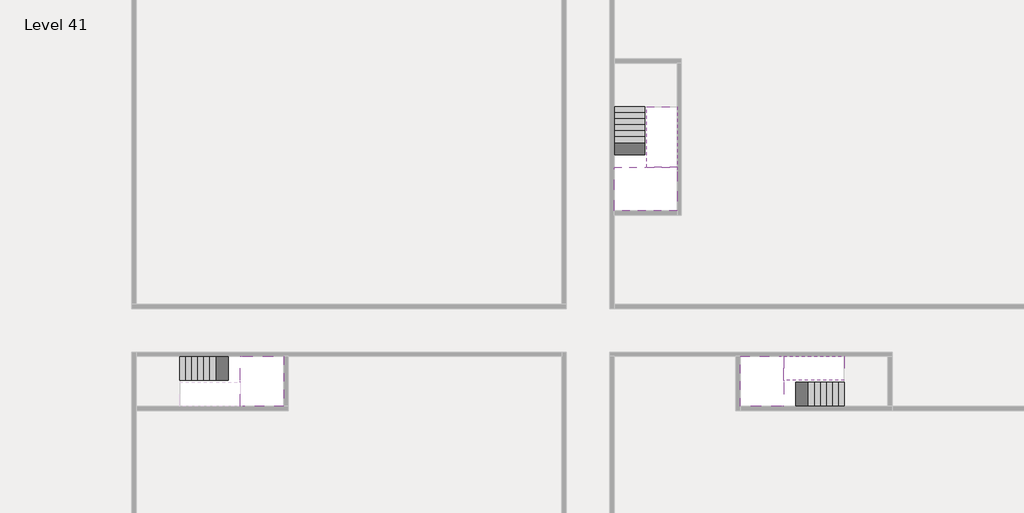
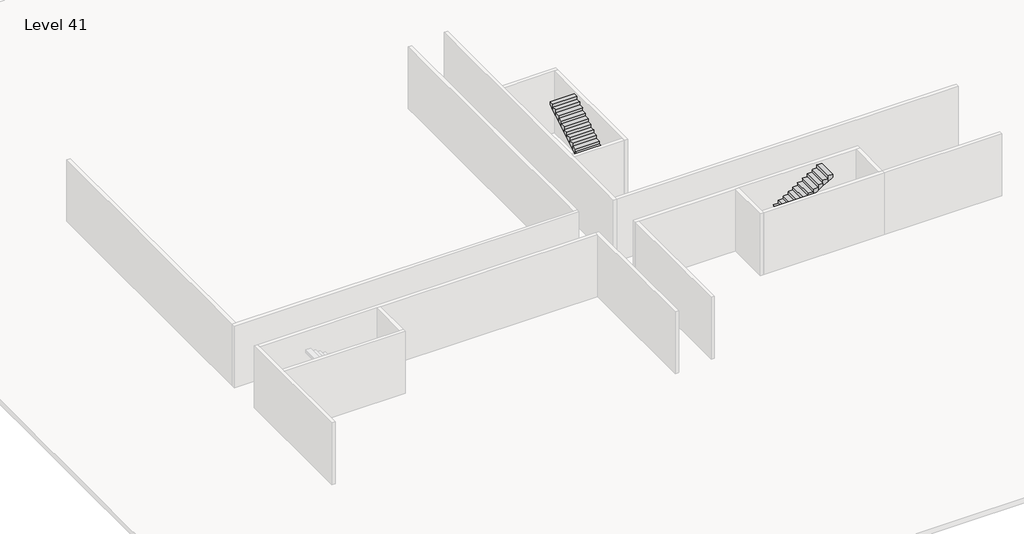
# One storey, part 2 of 2: 5 stair flights, 3 slabs.
"""IFC4 building model written with IfcOpenShell, lengths in millimetres."""

from ifc_helpers import new_model, si_unit, origin, place, context, project, spatial, faceted_brep, element, save

model = new_model("IFC4")

# Units and contexts
model_context = context("Model", 3, world=origin())
ifc_project = project(units=[si_unit("LENGTHUNIT", "METRE", prefix="MILLI")], contexts=[model_context])

# Site, building, storey
site = spatial("IfcSite", under=ifc_project)
building = spatial("IfcBuilding", under=site)
storey = spatial("IfcBuildingStorey", under=building, Name="Level 41", Elevation=152000.0)

# Slabs
placement = place(None, origin())
element("IfcSlab", 1, at=placement, inside=storey, context=model_context, shape_type="Brep", body=[
    faceted_brep([(8190.1058784, -42918.09644, 153900.0), (8190.1058784, -44018.09644, 153900.0), (8190.1058784, -44118.09644, 153900.0), (8190.1058784, -45218.09644, 153900.0), (8390.7194421, -45218.09644, 153900.0), (10190.1058784, -45218.09644, 153900.0), (10190.1058784, -42918.09644, 153900.0), (8269.4923146, -42918.09644, 153900.0), (8190.1058784, -42918.09644, 153727.2727273), (8190.1058784, -42918.09644, 153551.0278478), (8190.1058784, -44018.09644, 153551.0278478), (8190.1058784, -44018.09644, 153600.0), (8190.1058784, -44118.09644, 153600.0), (8190.1058784, -44118.09644, 153723.7551205), (8190.1058784, -45218.09644, 153723.7551205), (8390.7194421, -45218.09644, 153600.0), (10190.1058784, -45218.09644, 153600.0), (10190.1058784, -42918.09644, 153600.0), (8269.4923146, -42918.09644, 153600.0), (8390.7194421, -44118.09644, 153600.0), (8269.4923146, -44018.09644, 153600.0)], [[[0, 1, 2, 3, 4, 5, 6, 7]], [[1, 0, 8, 9, 10, 11]], [[2, 1, 11, 12, 13]], [[3, 2, 13, 14]], [[3, 14, 15, 16, 5, 4]], [[6, 5, 16, 17]], [[9, 8, 0, 7, 6, 17, 18]], [[19, 12, 11, 20, 18, 17, 16, 15]], [[12, 19, 13]], [[18, 20, 10, 9]], [[20, 11, 10]], [[19, 15, 14, 13]]]),
])
element("IfcSlab", 2, at=placement, inside=storey, context=model_context, shape_type="Brep", body=[
    faceted_brep([(33190.1058784, -45218.09644, 153900.0), (33190.1058784, -44118.09644, 153900.0), (33190.1058784, -44018.09644, 153900.0), (33190.1058784, -42918.09644, 153900.0), (32989.4923146, -42918.09644, 153900.0), (31190.1058784, -42918.09644, 153900.0), (31190.1058784, -45218.09644, 153900.0), (33110.7194421, -45218.09644, 153900.0), (33190.1058784, -45218.09644, 153727.2727273), (33190.1058784, -45218.09644, 153551.0278478), (33190.1058784, -44118.09644, 153551.0278478), (33190.1058784, -44118.09644, 153600.0), (33190.1058784, -44018.09644, 153600.0), (33190.1058784, -44018.09644, 153723.7551205), (33190.1058784, -42918.09644, 153723.7551205), (32989.4923146, -42918.09644, 153600.0), (31190.1058784, -42918.09644, 153600.0), (31190.1058784, -45218.09644, 153600.0), (33110.7194421, -45218.09644, 153600.0), (32989.4923146, -44018.09644, 153600.0), (33110.7194421, -44118.09644, 153600.0)], [[[0, 1, 2, 3, 4, 5, 6, 7]], [[1, 0, 8, 9, 10, 11]], [[2, 1, 11, 12, 13]], [[3, 2, 13, 14]], [[3, 14, 15, 16, 5, 4]], [[6, 5, 16, 17]], [[9, 8, 0, 7, 6, 17, 18]], [[19, 12, 11, 20, 18, 17, 16, 15]], [[12, 19, 13]], [[18, 20, 10, 9]], [[20, 11, 10]], [[19, 15, 14, 13]]]),
])
element("IfcSlab", 3, at=placement, inside=storey, context=model_context, shape_type="Brep", body=[
    faceted_brep([(26790.1058784, -34218.09644, 153900.0), (25390.1058784, -34218.09644, 153900.0), (25390.1058784, -34297.4828763, 153900.0), (25390.1058784, -36218.09644, 153900.0), (28290.1058784, -36218.09644, 153900.0), (28290.1058784, -34418.7100038, 153900.0), (28290.1058784, -34218.09644, 153900.0), (26890.1058784, -34218.09644, 153900.0), (26790.1058784, -34218.09644, 153600.0), (26790.1058784, -34218.09644, 153551.0278478), (25390.1058784, -34218.09644, 153551.0278478), (25390.1058784, -34218.09644, 153727.2727273), (25390.1058784, -34297.4828763, 153600.0), (25390.1058784, -36218.09644, 153600.0), (28290.1058784, -36218.09644, 153600.0), (28290.1058784, -34418.7100038, 153600.0), (28290.1058784, -34218.09644, 153723.7551205), (26890.1058784, -34218.09644, 153723.7551205), (26890.1058784, -34218.09644, 153600.0), (26890.1058784, -34418.7100038, 153600.0), (26790.1058784, -34297.4828763, 153600.0)], [[[0, 1, 2, 3, 4, 5, 6, 7]], [[1, 0, 8, 9, 10, 11]], [[1, 11, 10, 12, 13, 3, 2]], [[4, 3, 13, 14]], [[4, 14, 15, 16, 6, 5]], [[7, 6, 16, 17]], [[0, 7, 17, 18, 8]], [[18, 19, 15, 14, 13, 12, 20, 8]], [[19, 18, 17]], [[20, 12, 10, 9]], [[8, 20, 9]], [[15, 19, 17, 16]]]),
])

# Stair flights
element("IfcStairFlight", 4, at=placement, inside=storey, context=model_context, shape_type="Brep", body=[
    faceted_brep([(5670.1058784, -42918.09644, 152172.7272727), (5390.1058784, -42918.09644, 152172.7272727), (5390.1058784, -44018.09644, 152172.7272727), (5670.1058784, -44018.09644, 152172.7272727), (5670.1058784, -42918.09644, 152000.0), (5390.1058784, -42918.09644, 152000.0), (5390.1058784, -44018.09644, 152000.0), (5670.1058784, -44018.09644, 152000.0), (5950.1058784, -42918.09644, 152345.4545455), (5670.1058784, -42918.09644, 152345.4545455), (5670.1058784, -44018.09644, 152345.4545455), (5950.1058784, -44018.09644, 152345.4545455), (5950.1058784, -42918.09644, 152169.209666), (5675.8081041, -42918.09644, 152000.0), (5675.8081041, -44018.09644, 152000.0), (5950.1058784, -44018.09644, 152169.209666), (6230.1058784, -42918.09644, 152518.1818182), (5950.1058784, -42918.09644, 152518.1818182), (5950.1058784, -44018.09644, 152518.1818182), (6230.1058784, -44018.09644, 152518.1818182), (6230.1058784, -42918.09644, 152341.9369387), (6230.1058784, -44018.09644, 152341.9369387), (6510.1058784, -42918.09644, 152690.9090909), (6230.1058784, -42918.09644, 152690.9090909), (6230.1058784, -44018.09644, 152690.9090909), (6510.1058784, -44018.09644, 152690.9090909), (6510.1058784, -42918.09644, 152514.6642114), (6510.1058784, -44018.09644, 152514.6642114), (6790.1058784, -42918.09644, 152863.6363636), (6510.1058784, -42918.09644, 152863.6363636), (6510.1058784, -44018.09644, 152863.6363636), (6790.1058784, -44018.09644, 152863.6363636), (6790.1058784, -42918.09644, 152687.3914841), (6790.1058784, -44018.09644, 152687.3914841), (7070.1058784, -42918.09644, 153036.3636364), (6790.1058784, -42918.09644, 153036.3636364), (6790.1058784, -44018.09644, 153036.3636364), (7070.1058784, -44018.09644, 153036.3636364), (7070.1058784, -42918.09644, 152860.1187569), (7070.1058784, -44018.09644, 152860.1187569), (7350.1058784, -42918.09644, 153209.0909091), (7070.1058784, -42918.09644, 153209.0909091), (7070.1058784, -44018.09644, 153209.0909091), (7350.1058784, -44018.09644, 153209.0909091), (7350.1058784, -42918.09644, 153032.8460296), (7350.1058784, -44018.09644, 153032.8460296), (7630.1058784, -42918.09644, 153381.8181818), (7350.1058784, -42918.09644, 153381.8181818), (7350.1058784, -44018.09644, 153381.8181818), (7630.1058784, -44018.09644, 153381.8181818), (7630.1058784, -42918.09644, 153205.5733023), (7630.1058784, -44018.09644, 153205.5733023), (7910.1058784, -42918.09644, 153554.5454545), (7630.1058784, -42918.09644, 153554.5454545), (7630.1058784, -44018.09644, 153554.5454545), (7910.1058784, -44018.09644, 153554.5454545), (7910.1058784, -42918.09644, 153378.3005751), (7910.1058784, -44018.09644, 153378.3005751), (8190.1058784, -42918.09644, 153727.2727273), (7910.1058784, -42918.09644, 153727.2727273), (7910.1058784, -44018.09644, 153727.2727273), (8190.1058784, -44018.09644, 153727.2727273), (8190.1058784, -42918.09644, 153551.0278478), (8190.1058784, -44018.09644, 153551.0278478), (8190.1058784, -44018.09644, 153600.0)], [[[0, 1, 2, 3]], [[1, 0, 4, 5]], [[2, 1, 5, 6]], [[3, 2, 6, 7]], [[8, 9, 10, 11]], [[4, 0, 9, 8, 12, 13]], [[0, 3, 10, 9]], [[3, 7, 14, 15, 11, 10]], [[16, 17, 18, 19]], [[17, 16, 20, 12, 8]], [[8, 11, 18, 17]], [[19, 18, 11, 15, 21]], [[22, 23, 24, 25]], [[23, 22, 26, 20, 16]], [[16, 19, 24, 23]], [[25, 24, 19, 21, 27]], [[28, 29, 30, 31]], [[29, 28, 32, 26, 22]], [[22, 25, 30, 29]], [[31, 30, 25, 27, 33]], [[34, 35, 36, 37]], [[35, 34, 38, 32, 28]], [[28, 31, 36, 35]], [[37, 36, 31, 33, 39]], [[40, 41, 42, 43]], [[41, 40, 44, 38, 34]], [[34, 37, 42, 41]], [[43, 42, 37, 39, 45]], [[46, 47, 48, 49]], [[47, 46, 50, 44, 40]], [[40, 43, 48, 47]], [[49, 48, 43, 45, 51]], [[52, 53, 54, 55]], [[53, 52, 56, 50, 46]], [[46, 49, 54, 53]], [[55, 54, 49, 51, 57]], [[58, 59, 60, 61]], [[59, 58, 62, 56, 52]], [[52, 55, 60, 59]], [[61, 60, 55, 57, 63, 64]], [[58, 61, 64, 63, 62]], [[5, 4, 13, 14, 7, 6]], [[14, 13, 12, 20, 26, 32, 38, 44, 50, 56, 62, 63, 57, 51, 45, 39, 33, 27, 21, 15]]]),
])
element("IfcStairFlight", 5, at=placement, inside=storey, context=model_context, shape_type="Brep", body=[
    faceted_brep([(35710.1058784, -45218.09644, 152172.7272727), (35990.1058784, -45218.09644, 152172.7272727), (35990.1058784, -44118.09644, 152172.7272727), (35710.1058784, -44118.09644, 152172.7272727), (35710.1058784, -45218.09644, 152000.0), (35990.1058784, -45218.09644, 152000.0), (35990.1058784, -44118.09644, 152000.0), (35710.1058784, -44118.09644, 152000.0), (35430.1058784, -45218.09644, 152345.4545455), (35710.1058784, -45218.09644, 152345.4545455), (35710.1058784, -44118.09644, 152345.4545455), (35430.1058784, -44118.09644, 152345.4545455), (35430.1058784, -45218.09644, 152169.209666), (35704.4036527, -45218.09644, 152000.0), (35704.4036527, -44118.09644, 152000.0), (35430.1058784, -44118.09644, 152169.209666), (35150.1058784, -45218.09644, 152518.1818182), (35430.1058784, -45218.09644, 152518.1818182), (35430.1058784, -44118.09644, 152518.1818182), (35150.1058784, -44118.09644, 152518.1818182), (35150.1058784, -45218.09644, 152341.9369387), (35150.1058784, -44118.09644, 152341.9369387), (34870.1058784, -45218.09644, 152690.9090909), (35150.1058784, -45218.09644, 152690.9090909), (35150.1058784, -44118.09644, 152690.9090909), (34870.1058784, -44118.09644, 152690.9090909), (34870.1058784, -45218.09644, 152514.6642114), (34870.1058784, -44118.09644, 152514.6642114), (34590.1058784, -45218.09644, 152863.6363636), (34870.1058784, -45218.09644, 152863.6363636), (34870.1058784, -44118.09644, 152863.6363636), (34590.1058784, -44118.09644, 152863.6363636), (34590.1058784, -45218.09644, 152687.3914841), (34590.1058784, -44118.09644, 152687.3914841), (34310.1058784, -45218.09644, 153036.3636364), (34590.1058784, -45218.09644, 153036.3636364), (34590.1058784, -44118.09644, 153036.3636364), (34310.1058784, -44118.09644, 153036.3636364), (34310.1058784, -45218.09644, 152860.1187569), (34310.1058784, -44118.09644, 152860.1187569), (34030.1058784, -45218.09644, 153209.0909091), (34310.1058784, -45218.09644, 153209.0909091), (34310.1058784, -44118.09644, 153209.0909091), (34030.1058784, -44118.09644, 153209.0909091), (34030.1058784, -45218.09644, 153032.8460296), (34030.1058784, -44118.09644, 153032.8460296), (33750.1058784, -45218.09644, 153381.8181818), (34030.1058784, -45218.09644, 153381.8181818), (34030.1058784, -44118.09644, 153381.8181818), (33750.1058784, -44118.09644, 153381.8181818), (33750.1058784, -45218.09644, 153205.5733023), (33750.1058784, -44118.09644, 153205.5733023), (33470.1058784, -45218.09644, 153554.5454545), (33750.1058784, -45218.09644, 153554.5454545), (33750.1058784, -44118.09644, 153554.5454545), (33470.1058784, -44118.09644, 153554.5454545), (33470.1058784, -45218.09644, 153378.3005751), (33470.1058784, -44118.09644, 153378.3005751), (33190.1058784, -45218.09644, 153727.2727273), (33470.1058784, -45218.09644, 153727.2727273), (33470.1058784, -44118.09644, 153727.2727273), (33190.1058784, -44118.09644, 153727.2727273), (33190.1058784, -45218.09644, 153551.0278478), (33190.1058784, -44118.09644, 153551.0278478), (33190.1058784, -44118.09644, 153600.0)], [[[0, 1, 2, 3]], [[1, 0, 4, 5]], [[2, 1, 5, 6]], [[3, 2, 6, 7]], [[8, 9, 10, 11]], [[4, 0, 9, 8, 12, 13]], [[0, 3, 10, 9]], [[3, 7, 14, 15, 11, 10]], [[16, 17, 18, 19]], [[17, 16, 20, 12, 8]], [[8, 11, 18, 17]], [[19, 18, 11, 15, 21]], [[22, 23, 24, 25]], [[23, 22, 26, 20, 16]], [[16, 19, 24, 23]], [[25, 24, 19, 21, 27]], [[28, 29, 30, 31]], [[29, 28, 32, 26, 22]], [[22, 25, 30, 29]], [[31, 30, 25, 27, 33]], [[34, 35, 36, 37]], [[35, 34, 38, 32, 28]], [[28, 31, 36, 35]], [[37, 36, 31, 33, 39]], [[40, 41, 42, 43]], [[41, 40, 44, 38, 34]], [[34, 37, 42, 41]], [[43, 42, 37, 39, 45]], [[46, 47, 48, 49]], [[47, 46, 50, 44, 40]], [[40, 43, 48, 47]], [[49, 48, 43, 45, 51]], [[52, 53, 54, 55]], [[53, 52, 56, 50, 46]], [[46, 49, 54, 53]], [[55, 54, 49, 51, 57]], [[58, 59, 60, 61]], [[59, 58, 62, 56, 52]], [[52, 55, 60, 59]], [[61, 60, 55, 57, 63, 64]], [[58, 61, 64, 63, 62]], [[5, 4, 13, 14, 7, 6]], [[14, 13, 12, 20, 26, 32, 38, 44, 50, 56, 62, 63, 57, 51, 45, 39, 33, 27, 21, 15]]]),
])
element("IfcStairFlight", 6, at=placement, inside=storey, context=model_context, shape_type="Brep", body=[
    faceted_brep([(33470.1058784, -42918.09644, 154072.7272727), (33190.1058784, -42918.09644, 154072.7272727), (33190.1058784, -44018.09644, 154072.7272727), (33470.1058784, -44018.09644, 154072.7272727), (33470.1058784, -42918.09644, 153896.4823932), (33190.1058784, -42918.09644, 153723.7551205), (33190.1058784, -42918.09644, 153900.0), (33190.1058784, -44018.09644, 153723.7551205), (33470.1058784, -44018.09644, 153896.4823932), (33750.1058784, -42918.09644, 154245.4545455), (33470.1058784, -42918.09644, 154245.4545455), (33470.1058784, -44018.09644, 154245.4545455), (33750.1058784, -44018.09644, 154245.4545455), (33750.1058784, -42918.09644, 154069.209666), (33750.1058784, -44018.09644, 154069.209666), (34030.1058784, -42918.09644, 154418.1818182), (33750.1058784, -42918.09644, 154418.1818182), (33750.1058784, -44018.09644, 154418.1818182), (34030.1058784, -44018.09644, 154418.1818182), (34030.1058784, -42918.09644, 154241.9369387), (34030.1058784, -44018.09644, 154241.9369387), (34310.1058784, -42918.09644, 154590.9090909), (34030.1058784, -42918.09644, 154590.9090909), (34030.1058784, -44018.09644, 154590.9090909), (34310.1058784, -44018.09644, 154590.9090909), (34310.1058784, -42918.09644, 154414.6642114), (34310.1058784, -44018.09644, 154414.6642114), (34590.1058784, -42918.09644, 154763.6363636), (34310.1058784, -42918.09644, 154763.6363636), (34310.1058784, -44018.09644, 154763.6363636), (34590.1058784, -44018.09644, 154763.6363636), (34590.1058784, -42918.09644, 154587.3914841), (34590.1058784, -44018.09644, 154587.3914841), (34870.1058784, -42918.09644, 154936.3636364), (34590.1058784, -42918.09644, 154936.3636364), (34590.1058784, -44018.09644, 154936.3636364), (34870.1058784, -44018.09644, 154936.3636364), (34870.1058784, -42918.09644, 154760.1187569), (34870.1058784, -44018.09644, 154760.1187569), (35150.1058784, -42918.09644, 155109.0909091), (34870.1058784, -42918.09644, 155109.0909091), (34870.1058784, -44018.09644, 155109.0909091), (35150.1058784, -44018.09644, 155109.0909091), (35150.1058784, -42918.09644, 154932.8460296), (35150.1058784, -44018.09644, 154932.8460296), (35430.1058784, -42918.09644, 155281.8181818), (35150.1058784, -42918.09644, 155281.8181818), (35150.1058784, -44018.09644, 155281.8181818), (35430.1058784, -44018.09644, 155281.8181818), (35430.1058784, -42918.09644, 155105.5733023), (35430.1058784, -44018.09644, 155105.5733023), (35710.1058784, -42918.09644, 155454.5454545), (35430.1058784, -42918.09644, 155454.5454545), (35430.1058784, -44018.09644, 155454.5454545), (35710.1058784, -44018.09644, 155454.5454545), (35710.1058784, -42918.09644, 155278.3005751), (35710.1058784, -44018.09644, 155278.3005751), (35990.1058784, -42918.09644, 155627.2727273), (35710.1058784, -42918.09644, 155627.2727273), (35710.1058784, -44018.09644, 155627.2727273), (35990.1058784, -44018.09644, 155627.2727273), (35990.1058784, -42918.09644, 155451.0278478), (35990.1058784, -44018.09644, 155451.0278478)], [[[0, 1, 2, 3]], [[1, 0, 4, 5, 6]], [[2, 1, 6, 5, 7]], [[3, 2, 7, 8]], [[9, 10, 11, 12]], [[10, 9, 13, 4, 0]], [[11, 10, 0, 3]], [[12, 11, 3, 8, 14]], [[15, 16, 17, 18]], [[16, 15, 19, 13, 9]], [[17, 16, 9, 12]], [[18, 17, 12, 14, 20]], [[21, 22, 23, 24]], [[22, 21, 25, 19, 15]], [[23, 22, 15, 18]], [[24, 23, 18, 20, 26]], [[27, 28, 29, 30]], [[28, 27, 31, 25, 21]], [[29, 28, 21, 24]], [[30, 29, 24, 26, 32]], [[33, 34, 35, 36]], [[34, 33, 37, 31, 27]], [[35, 34, 27, 30]], [[36, 35, 30, 32, 38]], [[39, 40, 41, 42]], [[40, 39, 43, 37, 33]], [[41, 40, 33, 36]], [[42, 41, 36, 38, 44]], [[45, 46, 47, 48]], [[46, 45, 49, 43, 39]], [[47, 46, 39, 42]], [[48, 47, 42, 44, 50]], [[51, 52, 53, 54]], [[52, 51, 55, 49, 45]], [[53, 52, 45, 48]], [[54, 53, 48, 50, 56]], [[57, 58, 59, 60]], [[58, 57, 61, 55, 51]], [[59, 58, 51, 54]], [[60, 59, 54, 56, 62]], [[57, 60, 62, 61]], [[5, 4, 13, 19, 25, 31, 37, 43, 49, 55, 61, 62, 56, 50, 44, 38, 32, 26, 20, 14, 8, 7]]]),
])
element("IfcStairFlight", 7, at=placement, inside=storey, context=model_context, shape_type="Brep", body=[
    faceted_brep([(26790.1058784, -31698.09644, 152172.7272727), (26790.1058784, -31418.09644, 152172.7272727), (25390.1058784, -31418.09644, 152172.7272727), (25390.1058784, -31698.09644, 152172.7272727), (26790.1058784, -31698.09644, 152000.0), (26790.1058784, -31418.09644, 152000.0), (25390.1058784, -31418.09644, 152000.0), (25390.1058784, -31698.09644, 152000.0), (26790.1058784, -31978.09644, 152345.4545455), (26790.1058784, -31698.09644, 152345.4545455), (25390.1058784, -31698.09644, 152345.4545455), (25390.1058784, -31978.09644, 152345.4545455), (26790.1058784, -31978.09644, 152169.209666), (26790.1058784, -31703.7986657, 152000.0), (25390.1058784, -31703.7986657, 152000.0), (25390.1058784, -31978.09644, 152169.209666), (26790.1058784, -32258.09644, 152518.1818182), (26790.1058784, -31978.09644, 152518.1818182), (25390.1058784, -31978.09644, 152518.1818182), (25390.1058784, -32258.09644, 152518.1818182), (26790.1058784, -32258.09644, 152341.9369387), (25390.1058784, -32258.09644, 152341.9369387), (26790.1058784, -32538.09644, 152690.9090909), (26790.1058784, -32258.09644, 152690.9090909), (25390.1058784, -32258.09644, 152690.9090909), (25390.1058784, -32538.09644, 152690.9090909), (26790.1058784, -32538.09644, 152514.6642114), (25390.1058784, -32538.09644, 152514.6642114), (26790.1058784, -32818.09644, 152863.6363636), (26790.1058784, -32538.09644, 152863.6363636), (25390.1058784, -32538.09644, 152863.6363636), (25390.1058784, -32818.09644, 152863.6363636), (26790.1058784, -32818.09644, 152687.3914841), (25390.1058784, -32818.09644, 152687.3914841), (26790.1058784, -33098.09644, 153036.3636364), (26790.1058784, -32818.09644, 153036.3636364), (25390.1058784, -32818.09644, 153036.3636364), (25390.1058784, -33098.09644, 153036.3636364), (26790.1058784, -33098.09644, 152860.1187569), (25390.1058784, -33098.09644, 152860.1187569), (26790.1058784, -33378.09644, 153209.0909091), (26790.1058784, -33098.09644, 153209.0909091), (25390.1058784, -33098.09644, 153209.0909091), (25390.1058784, -33378.09644, 153209.0909091), (26790.1058784, -33378.09644, 153032.8460296), (25390.1058784, -33378.09644, 153032.8460296), (26790.1058784, -33658.09644, 153381.8181818), (26790.1058784, -33378.09644, 153381.8181818), (25390.1058784, -33378.09644, 153381.8181818), (25390.1058784, -33658.09644, 153381.8181818), (26790.1058784, -33658.09644, 153205.5733023), (25390.1058784, -33658.09644, 153205.5733023), (26790.1058784, -33938.09644, 153554.5454545), (26790.1058784, -33658.09644, 153554.5454545), (25390.1058784, -33658.09644, 153554.5454545), (25390.1058784, -33938.09644, 153554.5454545), (26790.1058784, -33938.09644, 153378.3005751), (25390.1058784, -33938.09644, 153378.3005751), (26790.1058784, -34218.09644, 153727.2727273), (26790.1058784, -33938.09644, 153727.2727273), (25390.1058784, -33938.09644, 153727.2727273), (25390.1058784, -34218.09644, 153727.2727273), (26790.1058784, -34218.09644, 153600.0), (26790.1058784, -34218.09644, 153551.0278478), (25390.1058784, -34218.09644, 153551.0278478)], [[[0, 1, 2, 3]], [[1, 0, 4, 5]], [[2, 1, 5, 6]], [[3, 2, 6, 7]], [[8, 9, 10, 11]], [[4, 0, 9, 8, 12, 13]], [[0, 3, 10, 9]], [[3, 7, 14, 15, 11, 10]], [[16, 17, 18, 19]], [[17, 16, 20, 12, 8]], [[8, 11, 18, 17]], [[19, 18, 11, 15, 21]], [[22, 23, 24, 25]], [[23, 22, 26, 20, 16]], [[16, 19, 24, 23]], [[25, 24, 19, 21, 27]], [[28, 29, 30, 31]], [[29, 28, 32, 26, 22]], [[22, 25, 30, 29]], [[31, 30, 25, 27, 33]], [[34, 35, 36, 37]], [[35, 34, 38, 32, 28]], [[28, 31, 36, 35]], [[37, 36, 31, 33, 39]], [[40, 41, 42, 43]], [[41, 40, 44, 38, 34]], [[34, 37, 42, 41]], [[43, 42, 37, 39, 45]], [[46, 47, 48, 49]], [[47, 46, 50, 44, 40]], [[40, 43, 48, 47]], [[49, 48, 43, 45, 51]], [[52, 53, 54, 55]], [[53, 52, 56, 50, 46]], [[46, 49, 54, 53]], [[55, 54, 49, 51, 57]], [[58, 59, 60, 61]], [[59, 58, 62, 63, 56, 52]], [[52, 55, 60, 59]], [[61, 60, 55, 57, 64]], [[58, 61, 64, 63, 62]], [[5, 4, 13, 14, 7, 6]], [[14, 13, 12, 20, 26, 32, 38, 44, 50, 56, 63, 64, 57, 51, 45, 39, 33, 27, 21, 15]]]),
])
element("IfcStairFlight", 8, at=placement, inside=storey, context=model_context, shape_type="Brep", body=[
    faceted_brep([(26890.1058784, -33938.09644, 154072.7272727), (26890.1058784, -34218.09644, 154072.7272727), (28290.1058784, -34218.09644, 154072.7272727), (28290.1058784, -33938.09644, 154072.7272727), (26890.1058784, -33938.09644, 153896.4823932), (26890.1058784, -34218.09644, 153723.7551205), (28290.1058784, -34218.09644, 153723.7551205), (28290.1058784, -34218.09644, 153900.0), (28290.1058784, -33938.09644, 153896.4823932), (26890.1058784, -33658.09644, 154245.4545455), (26890.1058784, -33938.09644, 154245.4545455), (28290.1058784, -33938.09644, 154245.4545455), (28290.1058784, -33658.09644, 154245.4545455), (26890.1058784, -33658.09644, 154069.209666), (28290.1058784, -33658.09644, 154069.209666), (26890.1058784, -33378.09644, 154418.1818182), (26890.1058784, -33658.09644, 154418.1818182), (28290.1058784, -33658.09644, 154418.1818182), (28290.1058784, -33378.09644, 154418.1818182), (26890.1058784, -33378.09644, 154241.9369387), (28290.1058784, -33378.09644, 154241.9369387), (26890.1058784, -33098.09644, 154590.9090909), (26890.1058784, -33378.09644, 154590.9090909), (28290.1058784, -33378.09644, 154590.9090909), (28290.1058784, -33098.09644, 154590.9090909), (26890.1058784, -33098.09644, 154414.6642114), (28290.1058784, -33098.09644, 154414.6642114), (26890.1058784, -32818.09644, 154763.6363636), (26890.1058784, -33098.09644, 154763.6363636), (28290.1058784, -33098.09644, 154763.6363636), (28290.1058784, -32818.09644, 154763.6363636), (26890.1058784, -32818.09644, 154587.3914841), (28290.1058784, -32818.09644, 154587.3914841), (26890.1058784, -32538.09644, 154936.3636364), (26890.1058784, -32818.09644, 154936.3636364), (28290.1058784, -32818.09644, 154936.3636364), (28290.1058784, -32538.09644, 154936.3636364), (26890.1058784, -32538.09644, 154760.1187569), (28290.1058784, -32538.09644, 154760.1187569), (26890.1058784, -32258.09644, 155109.0909091), (26890.1058784, -32538.09644, 155109.0909091), (28290.1058784, -32538.09644, 155109.0909091), (28290.1058784, -32258.09644, 155109.0909091), (26890.1058784, -32258.09644, 154932.8460296), (28290.1058784, -32258.09644, 154932.8460296), (26890.1058784, -31978.09644, 155281.8181818), (26890.1058784, -32258.09644, 155281.8181818), (28290.1058784, -32258.09644, 155281.8181818), (28290.1058784, -31978.09644, 155281.8181818), (26890.1058784, -31978.09644, 155105.5733023), (28290.1058784, -31978.09644, 155105.5733023), (26890.1058784, -31698.09644, 155454.5454545), (26890.1058784, -31978.09644, 155454.5454545), (28290.1058784, -31978.09644, 155454.5454545), (28290.1058784, -31698.09644, 155454.5454545), (26890.1058784, -31698.09644, 155278.3005751), (28290.1058784, -31698.09644, 155278.3005751), (26890.1058784, -31418.09644, 155627.2727273), (26890.1058784, -31698.09644, 155627.2727273), (28290.1058784, -31698.09644, 155627.2727273), (28290.1058784, -31418.09644, 155627.2727273), (26890.1058784, -31418.09644, 155451.0278478), (28290.1058784, -31418.09644, 155451.0278478)], [[[0, 1, 2, 3]], [[1, 0, 4, 5]], [[2, 1, 5, 6, 7]], [[3, 2, 7, 6, 8]], [[9, 10, 11, 12]], [[10, 9, 13, 4, 0]], [[11, 10, 0, 3]], [[12, 11, 3, 8, 14]], [[15, 16, 17, 18]], [[16, 15, 19, 13, 9]], [[17, 16, 9, 12]], [[18, 17, 12, 14, 20]], [[21, 22, 23, 24]], [[22, 21, 25, 19, 15]], [[23, 22, 15, 18]], [[24, 23, 18, 20, 26]], [[27, 28, 29, 30]], [[28, 27, 31, 25, 21]], [[29, 28, 21, 24]], [[30, 29, 24, 26, 32]], [[33, 34, 35, 36]], [[34, 33, 37, 31, 27]], [[35, 34, 27, 30]], [[36, 35, 30, 32, 38]], [[39, 40, 41, 42]], [[40, 39, 43, 37, 33]], [[41, 40, 33, 36]], [[42, 41, 36, 38, 44]], [[45, 46, 47, 48]], [[46, 45, 49, 43, 39]], [[47, 46, 39, 42]], [[48, 47, 42, 44, 50]], [[51, 52, 53, 54]], [[52, 51, 55, 49, 45]], [[53, 52, 45, 48]], [[54, 53, 48, 50, 56]], [[57, 58, 59, 60]], [[58, 57, 61, 55, 51]], [[59, 58, 51, 54]], [[60, 59, 54, 56, 62]], [[57, 60, 62, 61]], [[5, 4, 13, 19, 25, 31, 37, 43, 49, 55, 61, 62, 56, 50, 44, 38, 32, 26, 20, 14, 8, 6]]]),
])

save(model, "model.ifc")
